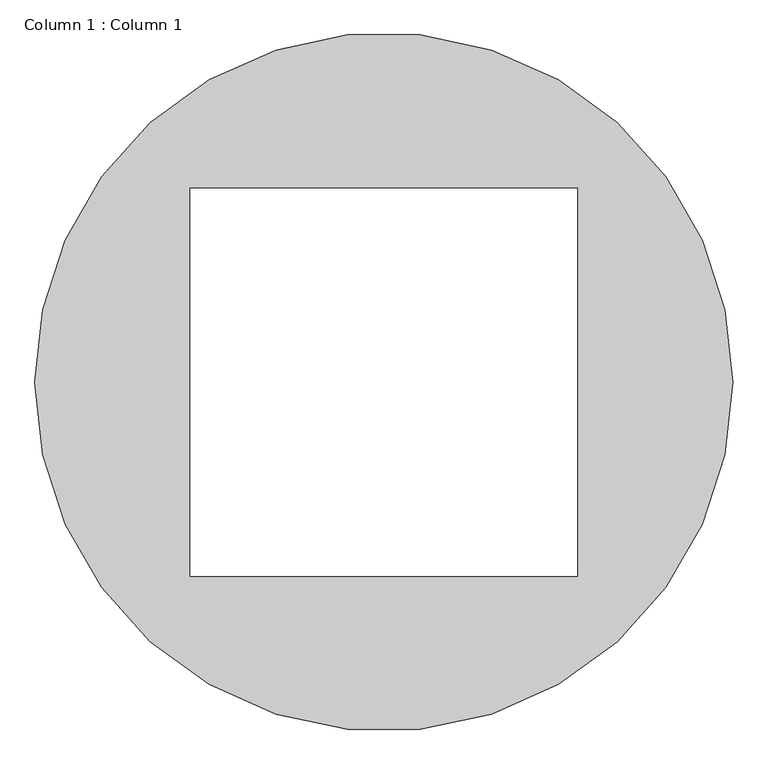
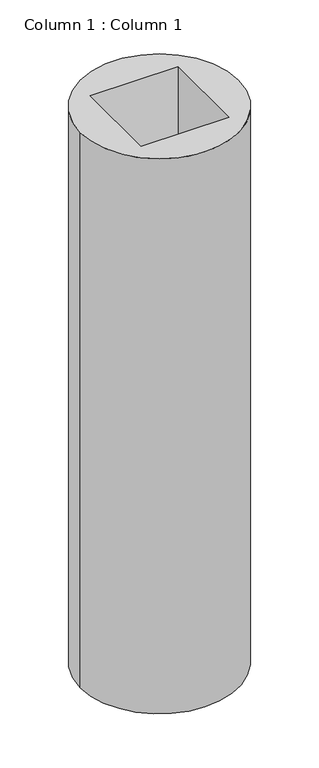
"""IFC4 building model written with IfcOpenShell, lengths in millimetres: column geometry, Column 1 : Column 1."""

from ifc_helpers import new_model, si_unit, point, origin, origin_with_axes, origin_2d, place, context, project, spatial, polyline, circle_curve, trimmed, segment, composite_curve, outline, extrude, source, transform, mapped, element, save


def column_1_column_1_2cdd4175(model_context):
    return source(origin(), model_context, "Body", "SweptSolid", [
        extrude(outline(composite_curve([segment(trimmed(circle_curve(origin_2d(), 540.0), [point((-540.0, 0.0))], [point((540.0, 0.0))], False, "CARTESIAN"), True, "CONTINUOUS"), segment(trimmed(circle_curve(origin_2d(), 540.0), [point((540.0, 0.0))], [point((-540.0, 0.0))], False, "CARTESIAN"), True, "CONTINUOUS")], self_intersect=False), holes=[polyline([(300.0, 300.0), (-300.0, 300.0), (-300.0, -300.0), (300.0, -300.0), (300.0, 300.0)])]), origin_with_axes(), (0.0, 0.0, 1.0), 4000.0),
    ])


if __name__ == "__main__":
    model = new_model("IFC4")
    model_context = context("Model", 3, world=origin())
    ifc_project = project(units=[si_unit("LENGTHUNIT", "METRE", prefix="MILLI")], contexts=[model_context])
    site = spatial("IfcSite", under=ifc_project)
    building = spatial("IfcBuilding", under=site)
    placement = place(None, origin())
    column_1_column_1_shape = column_1_column_1_2cdd4175(model_context)
    element("IfcColumn", 1, ObjectType="Column 1 : Column 1", at=placement, inside=building, context=model_context, shape_type="MappedRepresentation", body=[
        mapped(column_1_column_1_shape, transform((0.0, 0.0, 0.0), x_axis=(1.0, 0.0, 0.0), y_axis=(0.0, 1.0, 0.0), z_axis=(0.0, 0.0, 1.0))),
    ])
    save(model, "model.ifc")
